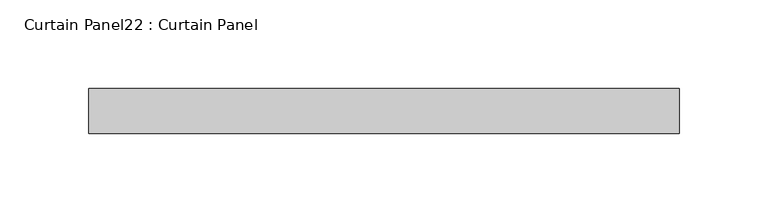
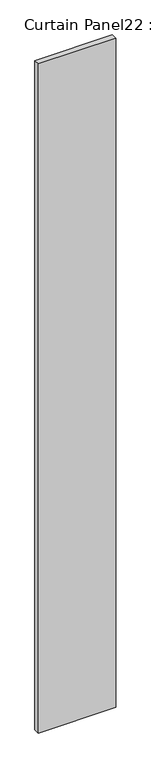
"""IFC4 building model written with IfcOpenShell, lengths in millimetres: plate geometry, Curtain Panel22 : Curtain Panel."""

import ifcopenshell
import ifcopenshell.guid

model = None  # the IFC model being written
_history = None  # IfcOwnerHistory: only IFC2X3 demands one
_inside = {}  # id of a spatial element -> (the spatial element, [elements in it])
_under = {}  # id of a project, library or spatial element -> (it, [spatial elements below it])
_declared = {}  # id of a project -> (the project, [libraries it declares])
_typed = {}  # id of a type object -> (the type object, [elements of that type])
_made_of = {}  # id of a material, layer set ... -> (it, [elements and type objects made of it])


def new_model(schema):
    """Start an empty IFC model of exactly this schema.

    Asked for "IFC4X3", IfcOpenShell would pick the latest addendum, in which some entities
    have other attributes; the version numbers below select the first issue.
    IFC2X3 requires an IfcOwnerHistory on every rooted entity: one is made here for all.
    """
    global model, _history
    if schema == "IFC4X3":
        model = ifcopenshell.file(schema_version=(4, 3, 0, 0))
    else:
        model = ifcopenshell.file(schema=schema)
    _inside.clear()
    _under.clear()
    _declared.clear()
    _typed.clear()
    _made_of.clear()
    _history = None
    if model.schema == "IFC2X3":
        org = make("IfcOrganization", Name="unknown")
        user = make(
            "IfcPersonAndOrganization",
            ThePerson=make("IfcPerson", FamilyName="unknown"),
            TheOrganization=org,
        )
        app = make(
            "IfcApplication",
            ApplicationDeveloper=org,
            Version="unknown",
            ApplicationFullName="unknown",
            ApplicationIdentifier="unknown",
        )
        _history = make(
            "IfcOwnerHistory",
            OwningUser=user,
            OwningApplication=app,
            ChangeAction="ADDED",
            CreationDate=0,
        )
    return model


def make(cls, **values):
    """One entity of the class cls with the attributes given. An attribute that is None is left unset."""
    return model.create_entity(
        cls, **{name: value for name, value in values.items() if value is not None}
    )


def rooted(cls, **values):
    """An entity with a GlobalId (a new one), such as an element, a storey or a relation."""
    return make(cls, GlobalId=ifcopenshell.guid.new(), OwnerHistory=_history, **values)


def si_unit(unit_type, name, prefix=None):
    """IfcSIUnit, for example si_unit("LENGTHUNIT", "METRE", prefix="MILLI")."""
    return make("IfcSIUnit", UnitType=unit_type, Prefix=prefix, Name=name)


def assignment(units):
    """IfcUnitAssignment: the units of a project."""
    return None if units is None else make("IfcUnitAssignment", Units=units)


def point(xyz):
    """IfcCartesianPoint."""
    return None if xyz is None else make("IfcCartesianPoint", Coordinates=xyz)


def direction(xyz):
    """IfcDirection."""
    return None if xyz is None else make("IfcDirection", DirectionRatios=xyz)


def frame(location, z_axis=None, x_axis=None):
    """IfcAxis2Placement3D, a coordinate frame: its origin and axes. An axis left out is left unset."""
    return make(
        "IfcAxis2Placement3D",
        Location=point(location),
        Axis=direction(z_axis),
        RefDirection=direction(x_axis),
    )


def origin():
    """The frame at (0, 0, 0) with its axes left unset."""
    return frame((0.0, 0.0, 0.0))


def place(relative_to, where):
    """IfcLocalPlacement: puts the frame where relative to a parent placement (None: the world)."""
    return make(
        "IfcLocalPlacement", PlacementRelTo=relative_to, RelativePlacement=where
    )


def context(
    kind, dimensions, precision=None, world=None, true_north=None, identifier=None
):
    """IfcGeometricRepresentationContext, for example the 3D "Model" context."""
    return make(
        "IfcGeometricRepresentationContext",
        ContextIdentifier=identifier,
        ContextType=kind,
        CoordinateSpaceDimension=dimensions,
        Precision=precision,
        WorldCoordinateSystem=world,
        TrueNorth=true_north,
    )


def project(units=None, contexts=None):
    """IfcProject with its units and contexts."""
    return rooted(
        "IfcProject",
        Name="project",
        RepresentationContexts=contexts,
        UnitsInContext=assignment(units),
    )


def spatial(cls, under=None, at=None, **own):
    """A site, building, storey or space (cls), placed at a placement, below another one or the project."""
    s = rooted(cls, ObjectPlacement=at, **own)
    if under is not None:
        _under.setdefault(under.id(), (under, []))[1].append(s)
    return s


def polyline(points):
    """IfcPolyline through the points."""
    return make("IfcPolyline", Points=[point(p) for p in points])


def outline(outer, holes=None, kind="AREA"):
    """IfcArbitraryClosedProfileDef: a profile drawn as a closed curve; with holes, ...WithVoids."""
    if holes is None:
        return make("IfcArbitraryClosedProfileDef", ProfileType=kind, OuterCurve=outer)
    return make(
        "IfcArbitraryProfileDefWithVoids",
        ProfileType=kind,
        OuterCurve=outer,
        InnerCurves=holes,
    )


def extrude(swept, where, along, depth):
    """IfcExtrudedAreaSolid: the profile swept, set in the frame where, extruded along a direction by depth."""
    return make(
        "IfcExtrudedAreaSolid",
        SweptArea=swept,
        Position=where,
        ExtrudedDirection=direction(along),
        Depth=depth,
    )


def shape(context_of_items, identifier, shape_type, items):
    """IfcShapeRepresentation: the items that make up one representation, for example the "Body"."""
    return make(
        "IfcShapeRepresentation",
        ContextOfItems=context_of_items,
        RepresentationIdentifier=identifier,
        RepresentationType=shape_type,
        Items=items,
    )


def source(mapping_origin, context_of_items, identifier, shape_type, items):
    """IfcRepresentationMap: a shape defined once, which mapped items show again and again."""
    return make(
        "IfcRepresentationMap",
        MappingOrigin=mapping_origin,
        MappedRepresentation=shape(context_of_items, identifier, shape_type, items),
    )


def transform(
    local_origin,
    x_axis=None,
    y_axis=None,
    z_axis=None,
    scale=None,
    scale2=None,
    scale3=None,
    uniform=True,
):
    """IfcCartesianTransformationOperator3D, or its non-uniform kind. x_axis, y_axis, z_axis: its Axis1, 2, 3."""
    if uniform:
        return make(
            "IfcCartesianTransformationOperator3D",
            Axis1=direction(x_axis),
            Axis2=direction(y_axis),
            LocalOrigin=point(local_origin),
            Scale=scale,
            Axis3=direction(z_axis),
        )
    return make(
        "IfcCartesianTransformationOperator3DnonUniform",
        Axis1=direction(x_axis),
        Axis2=direction(y_axis),
        LocalOrigin=point(local_origin),
        Scale=scale,
        Axis3=direction(z_axis),
        Scale2=scale2,
        Scale3=scale3,
    )


def mapped(mapping_source, mapping_target):
    """IfcMappedItem: shows the shape of a source again, moved by a transform."""
    return make(
        "IfcMappedItem", MappingSource=mapping_source, MappingTarget=mapping_target
    )


def made_of(thing, what):
    """Note that an element or type object is made of a material, layer set ...; save() writes the relation."""
    if what is not None:
        _made_of.setdefault(what.id(), (what, []))[1].append(thing)
    return thing


def element(
    cls,
    number,
    at=None,
    inside=None,
    cuts=None,
    type_object=None,
    material=None,
    context=None,
    identifier="Body",
    shape_type=None,
    held_by="IfcProductDefinitionShape",
    body=None,
    shapes=None,
    **own,
):
    """One element of the class cls, such as IfcWall. Its Tag is "e" and its number.

    at: its placement. inside: the storey or other place that contains it. cuts: it is an
    opening in that element (IfcRelVoidsElement). A single representation is given by context,
    identifier, shape_type and body (its items); several are given by shapes. held_by: the class
    of the entity that holds the representations. save() writes the other relations.
    """
    e = rooted(cls, Tag="e%d" % number, ObjectPlacement=at, **own)
    if body is not None:
        shapes = [shape(context, identifier, shape_type, body)]
    if shapes is not None:
        e.Representation = make(held_by, Representations=shapes)
    if inside is not None:
        _inside.setdefault(inside.id(), (inside, []))[1].append(e)
    if cuts is not None:
        rooted(
            "IfcRelVoidsElement", RelatingBuildingElement=cuts, RelatedOpeningElement=e
        )
    if type_object is not None:
        _typed.setdefault(type_object.id(), (type_object, []))[1].append(e)
    return made_of(e, material)


def aggregate(whole, parts):
    """IfcRelAggregates: a whole, such as a stair, and the parts it consists of."""
    return rooted("IfcRelAggregates", RelatingObject=whole, RelatedObjects=parts)


def save(model, path):
    """Write the relations noted so far, then the file.

    IfcRelAggregates (storeys below a building ...), IfcRelContainedInSpatialStructure (elements
    in a storey), IfcRelDefinesByType, IfcRelAssociatesMaterial and IfcRelDeclares: one each for
    every whole, place, type object, material and project.
    """
    for whole, parts in _under.values():
        aggregate(whole, parts)
    for where, things in _inside.values():
        rooted(
            "IfcRelContainedInSpatialStructure",
            RelatedElements=things,
            RelatingStructure=where,
        )
    for kind, things in _typed.values():
        rooted("IfcRelDefinesByType", RelatedObjects=things, RelatingType=kind)
    for what, things in _made_of.values():
        rooted("IfcRelAssociatesMaterial", RelatedObjects=things, RelatingMaterial=what)
    for by, libraries in _declared.values():
        rooted("IfcRelDeclares", RelatingContext=by, RelatedDefinitions=libraries)
    model.write(path)


def curtain_panel22_curtain_panel_046c2d46(model_context):
    return source(origin(), model_context, "Body", "SweptSolid", [
        extrude(outline(polyline([(66949.6211746, 2767.7620599), (66616.2462878, 2767.7620599), (66616.2462878, 2793.1620599), (66949.6211746, 2793.1620599), (66949.6211746, 2767.7620599)])), frame((0.0, 0.0, -994.8126169), z_axis=(0.0, 0.0, 1.0), x_axis=(1.0, 0.0, 0.0)), (0.0, 0.0, 1.0), 3048.0),
    ])


if __name__ == "__main__":
    model = new_model("IFC4")
    model_context = context("Model", 3, world=origin())
    ifc_project = project(units=[si_unit("LENGTHUNIT", "METRE", prefix="MILLI")], contexts=[model_context])
    site = spatial("IfcSite", under=ifc_project)
    building = spatial("IfcBuilding", under=site)
    placement = place(None, origin())
    curtain_panel22_curtain_panel_shape = curtain_panel22_curtain_panel_046c2d46(model_context)
    element("IfcPlate", 1, ObjectType="Curtain Panel22 : Curtain Panel", at=placement, inside=building, context=model_context, shape_type="MappedRepresentation", body=[
        mapped(curtain_panel22_curtain_panel_shape, transform((0.0, 0.0, 0.0), x_axis=(1.0, 0.0, 0.0), y_axis=(0.0, 1.0, 0.0), z_axis=(0.0, 0.0, 1.0))),
    ])
    save(model, "model.ifc")
